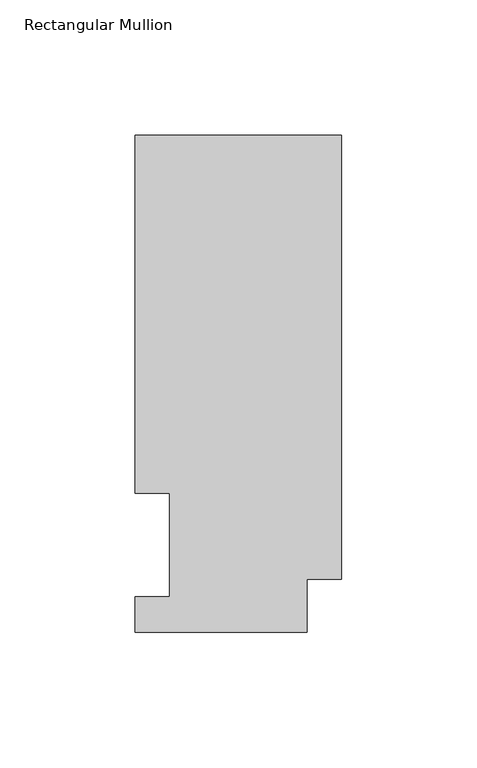
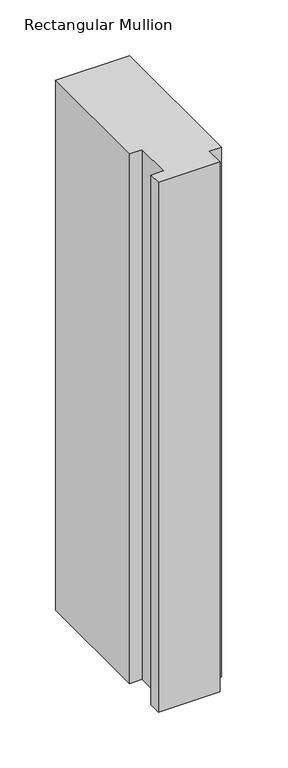
"""IFC4 building model written with IfcOpenShell, lengths in millimetres: member geometry, Rectangular Mullion."""

import ifcopenshell
import ifcopenshell.guid

model = None  # the IFC model being written
_history = None  # IfcOwnerHistory: only IFC2X3 demands one
_inside = {}  # id of a spatial element -> (the spatial element, [elements in it])
_under = {}  # id of a project, library or spatial element -> (it, [spatial elements below it])
_declared = {}  # id of a project -> (the project, [libraries it declares])
_typed = {}  # id of a type object -> (the type object, [elements of that type])
_made_of = {}  # id of a material, layer set ... -> (it, [elements and type objects made of it])


def new_model(schema):
    """Start an empty IFC model of exactly this schema.

    Asked for "IFC4X3", IfcOpenShell would pick the latest addendum, in which some entities
    have other attributes; the version numbers below select the first issue.
    IFC2X3 requires an IfcOwnerHistory on every rooted entity: one is made here for all.
    """
    global model, _history
    if schema == "IFC4X3":
        model = ifcopenshell.file(schema_version=(4, 3, 0, 0))
    else:
        model = ifcopenshell.file(schema=schema)
    _inside.clear()
    _under.clear()
    _declared.clear()
    _typed.clear()
    _made_of.clear()
    _history = None
    if model.schema == "IFC2X3":
        org = make("IfcOrganization", Name="unknown")
        user = make(
            "IfcPersonAndOrganization",
            ThePerson=make("IfcPerson", FamilyName="unknown"),
            TheOrganization=org,
        )
        app = make(
            "IfcApplication",
            ApplicationDeveloper=org,
            Version="unknown",
            ApplicationFullName="unknown",
            ApplicationIdentifier="unknown",
        )
        _history = make(
            "IfcOwnerHistory",
            OwningUser=user,
            OwningApplication=app,
            ChangeAction="ADDED",
            CreationDate=0,
        )
    return model


def make(cls, **values):
    """One entity of the class cls with the attributes given. An attribute that is None is left unset."""
    return model.create_entity(
        cls, **{name: value for name, value in values.items() if value is not None}
    )


def rooted(cls, **values):
    """An entity with a GlobalId (a new one), such as an element, a storey or a relation."""
    return make(cls, GlobalId=ifcopenshell.guid.new(), OwnerHistory=_history, **values)


def si_unit(unit_type, name, prefix=None):
    """IfcSIUnit, for example si_unit("LENGTHUNIT", "METRE", prefix="MILLI")."""
    return make("IfcSIUnit", UnitType=unit_type, Prefix=prefix, Name=name)


def assignment(units):
    """IfcUnitAssignment: the units of a project."""
    return None if units is None else make("IfcUnitAssignment", Units=units)


def point(xyz):
    """IfcCartesianPoint."""
    return None if xyz is None else make("IfcCartesianPoint", Coordinates=xyz)


def direction(xyz):
    """IfcDirection."""
    return None if xyz is None else make("IfcDirection", DirectionRatios=xyz)


def frame(location, z_axis=None, x_axis=None):
    """IfcAxis2Placement3D, a coordinate frame: its origin and axes. An axis left out is left unset."""
    return make(
        "IfcAxis2Placement3D",
        Location=point(location),
        Axis=direction(z_axis),
        RefDirection=direction(x_axis),
    )


def origin():
    """The frame at (0, 0, 0) with its axes left unset."""
    return frame((0.0, 0.0, 0.0))


def place(relative_to, where):
    """IfcLocalPlacement: puts the frame where relative to a parent placement (None: the world)."""
    return make(
        "IfcLocalPlacement", PlacementRelTo=relative_to, RelativePlacement=where
    )


def context(
    kind, dimensions, precision=None, world=None, true_north=None, identifier=None
):
    """IfcGeometricRepresentationContext, for example the 3D "Model" context."""
    return make(
        "IfcGeometricRepresentationContext",
        ContextIdentifier=identifier,
        ContextType=kind,
        CoordinateSpaceDimension=dimensions,
        Precision=precision,
        WorldCoordinateSystem=world,
        TrueNorth=true_north,
    )


def project(units=None, contexts=None):
    """IfcProject with its units and contexts."""
    return rooted(
        "IfcProject",
        Name="project",
        RepresentationContexts=contexts,
        UnitsInContext=assignment(units),
    )


def spatial(cls, under=None, at=None, **own):
    """A site, building, storey or space (cls), placed at a placement, below another one or the project."""
    s = rooted(cls, ObjectPlacement=at, **own)
    if under is not None:
        _under.setdefault(under.id(), (under, []))[1].append(s)
    return s


def polyline(points):
    """IfcPolyline through the points."""
    return make("IfcPolyline", Points=[point(p) for p in points])


def outline(outer, holes=None, kind="AREA"):
    """IfcArbitraryClosedProfileDef: a profile drawn as a closed curve; with holes, ...WithVoids."""
    if holes is None:
        return make("IfcArbitraryClosedProfileDef", ProfileType=kind, OuterCurve=outer)
    return make(
        "IfcArbitraryProfileDefWithVoids",
        ProfileType=kind,
        OuterCurve=outer,
        InnerCurves=holes,
    )


def extrude(swept, where, along, depth):
    """IfcExtrudedAreaSolid: the profile swept, set in the frame where, extruded along a direction by depth."""
    return make(
        "IfcExtrudedAreaSolid",
        SweptArea=swept,
        Position=where,
        ExtrudedDirection=direction(along),
        Depth=depth,
    )


def shape(context_of_items, identifier, shape_type, items):
    """IfcShapeRepresentation: the items that make up one representation, for example the "Body"."""
    return make(
        "IfcShapeRepresentation",
        ContextOfItems=context_of_items,
        RepresentationIdentifier=identifier,
        RepresentationType=shape_type,
        Items=items,
    )


def source(mapping_origin, context_of_items, identifier, shape_type, items):
    """IfcRepresentationMap: a shape defined once, which mapped items show again and again."""
    return make(
        "IfcRepresentationMap",
        MappingOrigin=mapping_origin,
        MappedRepresentation=shape(context_of_items, identifier, shape_type, items),
    )


def transform(
    local_origin,
    x_axis=None,
    y_axis=None,
    z_axis=None,
    scale=None,
    scale2=None,
    scale3=None,
    uniform=True,
):
    """IfcCartesianTransformationOperator3D, or its non-uniform kind. x_axis, y_axis, z_axis: its Axis1, 2, 3."""
    if uniform:
        return make(
            "IfcCartesianTransformationOperator3D",
            Axis1=direction(x_axis),
            Axis2=direction(y_axis),
            LocalOrigin=point(local_origin),
            Scale=scale,
            Axis3=direction(z_axis),
        )
    return make(
        "IfcCartesianTransformationOperator3DnonUniform",
        Axis1=direction(x_axis),
        Axis2=direction(y_axis),
        LocalOrigin=point(local_origin),
        Scale=scale,
        Axis3=direction(z_axis),
        Scale2=scale2,
        Scale3=scale3,
    )


def mapped(mapping_source, mapping_target):
    """IfcMappedItem: shows the shape of a source again, moved by a transform."""
    return make(
        "IfcMappedItem", MappingSource=mapping_source, MappingTarget=mapping_target
    )


def made_of(thing, what):
    """Note that an element or type object is made of a material, layer set ...; save() writes the relation."""
    if what is not None:
        _made_of.setdefault(what.id(), (what, []))[1].append(thing)
    return thing


def element(
    cls,
    number,
    at=None,
    inside=None,
    cuts=None,
    type_object=None,
    material=None,
    context=None,
    identifier="Body",
    shape_type=None,
    held_by="IfcProductDefinitionShape",
    body=None,
    shapes=None,
    **own,
):
    """One element of the class cls, such as IfcWall. Its Tag is "e" and its number.

    at: its placement. inside: the storey or other place that contains it. cuts: it is an
    opening in that element (IfcRelVoidsElement). A single representation is given by context,
    identifier, shape_type and body (its items); several are given by shapes. held_by: the class
    of the entity that holds the representations. save() writes the other relations.
    """
    e = rooted(cls, Tag="e%d" % number, ObjectPlacement=at, **own)
    if body is not None:
        shapes = [shape(context, identifier, shape_type, body)]
    if shapes is not None:
        e.Representation = make(held_by, Representations=shapes)
    if inside is not None:
        _inside.setdefault(inside.id(), (inside, []))[1].append(e)
    if cuts is not None:
        rooted(
            "IfcRelVoidsElement", RelatingBuildingElement=cuts, RelatedOpeningElement=e
        )
    if type_object is not None:
        _typed.setdefault(type_object.id(), (type_object, []))[1].append(e)
    return made_of(e, material)


def aggregate(whole, parts):
    """IfcRelAggregates: a whole, such as a stair, and the parts it consists of."""
    return rooted("IfcRelAggregates", RelatingObject=whole, RelatedObjects=parts)


def save(model, path):
    """Write the relations noted so far, then the file.

    IfcRelAggregates (storeys below a building ...), IfcRelContainedInSpatialStructure (elements
    in a storey), IfcRelDefinesByType, IfcRelAssociatesMaterial and IfcRelDeclares: one each for
    every whole, place, type object, material and project.
    """
    for whole, parts in _under.values():
        aggregate(whole, parts)
    for where, things in _inside.values():
        rooted(
            "IfcRelContainedInSpatialStructure",
            RelatedElements=things,
            RelatingStructure=where,
        )
    for kind, things in _typed.values():
        rooted("IfcRelDefinesByType", RelatedObjects=things, RelatingType=kind)
    for what, things in _made_of.values():
        rooted("IfcRelAssociatesMaterial", RelatedObjects=things, RelatingMaterial=what)
    for by, libraries in _declared.values():
        rooted("IfcRelDeclares", RelatingContext=by, RelatedDefinitions=libraries)
    model.write(path)


def rectangular_mullion_84d221ff(model_context):
    return source(origin(), model_context, "Body", "SweptSolid", [
        extrude(outline(polyline([(-76.2, 89.5945313), (-76.2, 221.7507313), (0.0, 221.7507312), (0.0, 57.8445313), (-12.6999999, 57.8445313), (-12.6999999, 38.3119313), (-76.1999999, 38.3119313), (-76.1999999, 51.4945313), (-63.5, 51.4945313), (-63.5, 89.5945313), (-76.2, 89.5945313)])), frame((0.0, 0.0, -577.8404902), z_axis=(0.0, 0.0, 1.0), x_axis=(1.0, 0.0, 0.0)), (0.0, 0.0, 1.0), 577.8404902),
    ])


if __name__ == "__main__":
    model = new_model("IFC4")
    model_context = context("Model", 3, world=origin())
    ifc_project = project(units=[si_unit("LENGTHUNIT", "METRE", prefix="MILLI")], contexts=[model_context])
    site = spatial("IfcSite", under=ifc_project)
    building = spatial("IfcBuilding", under=site)
    placement = place(None, origin())
    rectangular_mullion_shape = rectangular_mullion_84d221ff(model_context)
    element("IfcMember", 1, ObjectType="Rectangular Mullion", at=placement, inside=building, context=model_context, shape_type="MappedRepresentation", body=[
        mapped(rectangular_mullion_shape, transform((0.0, 0.0, 0.0), x_axis=(1.0, 0.0, 0.0), y_axis=(0.0, 1.0, 0.0), z_axis=(0.0, 0.0, 1.0))),
    ])
    save(model, "model.ifc")
